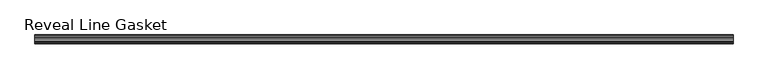
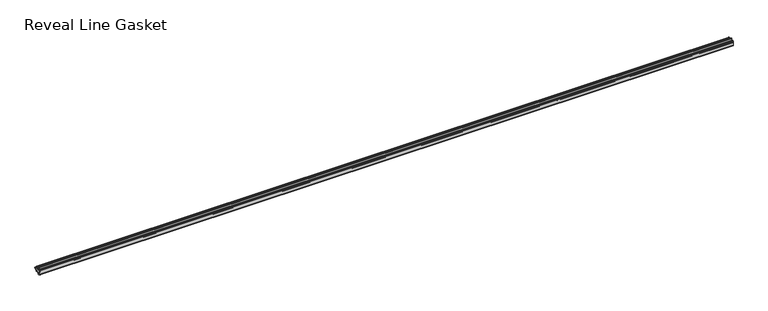
"""IFC4 building model written with IfcOpenShell, lengths in millimetres: furniture geometry, Reveal Line Gasket."""

import ifcopenshell
import ifcopenshell.guid

model = None  # the IFC model being written
_history = None  # IfcOwnerHistory: only IFC2X3 demands one
_inside = {}  # id of a spatial element -> (the spatial element, [elements in it])
_under = {}  # id of a project, library or spatial element -> (it, [spatial elements below it])
_declared = {}  # id of a project -> (the project, [libraries it declares])
_typed = {}  # id of a type object -> (the type object, [elements of that type])
_made_of = {}  # id of a material, layer set ... -> (it, [elements and type objects made of it])


def new_model(schema):
    """Start an empty IFC model of exactly this schema.

    Asked for "IFC4X3", IfcOpenShell would pick the latest addendum, in which some entities
    have other attributes; the version numbers below select the first issue.
    IFC2X3 requires an IfcOwnerHistory on every rooted entity: one is made here for all.
    """
    global model, _history
    if schema == "IFC4X3":
        model = ifcopenshell.file(schema_version=(4, 3, 0, 0))
    else:
        model = ifcopenshell.file(schema=schema)
    _inside.clear()
    _under.clear()
    _declared.clear()
    _typed.clear()
    _made_of.clear()
    _history = None
    if model.schema == "IFC2X3":
        org = make("IfcOrganization", Name="unknown")
        user = make(
            "IfcPersonAndOrganization",
            ThePerson=make("IfcPerson", FamilyName="unknown"),
            TheOrganization=org,
        )
        app = make(
            "IfcApplication",
            ApplicationDeveloper=org,
            Version="unknown",
            ApplicationFullName="unknown",
            ApplicationIdentifier="unknown",
        )
        _history = make(
            "IfcOwnerHistory",
            OwningUser=user,
            OwningApplication=app,
            ChangeAction="ADDED",
            CreationDate=0,
        )
    return model


def make(cls, **values):
    """One entity of the class cls with the attributes given. An attribute that is None is left unset."""
    return model.create_entity(
        cls, **{name: value for name, value in values.items() if value is not None}
    )


def rooted(cls, **values):
    """An entity with a GlobalId (a new one), such as an element, a storey or a relation."""
    return make(cls, GlobalId=ifcopenshell.guid.new(), OwnerHistory=_history, **values)


def si_unit(unit_type, name, prefix=None):
    """IfcSIUnit, for example si_unit("LENGTHUNIT", "METRE", prefix="MILLI")."""
    return make("IfcSIUnit", UnitType=unit_type, Prefix=prefix, Name=name)


def assignment(units):
    """IfcUnitAssignment: the units of a project."""
    return None if units is None else make("IfcUnitAssignment", Units=units)


def point(xyz):
    """IfcCartesianPoint."""
    return None if xyz is None else make("IfcCartesianPoint", Coordinates=xyz)


def direction(xyz):
    """IfcDirection."""
    return None if xyz is None else make("IfcDirection", DirectionRatios=xyz)


def frame(location, z_axis=None, x_axis=None):
    """IfcAxis2Placement3D, a coordinate frame: its origin and axes. An axis left out is left unset."""
    return make(
        "IfcAxis2Placement3D",
        Location=point(location),
        Axis=direction(z_axis),
        RefDirection=direction(x_axis),
    )


def frame_2d(location, x_axis=None):
    """IfcAxis2Placement2D, a coordinate frame in the plane: its origin and x axis."""
    return make(
        "IfcAxis2Placement2D", Location=point(location), RefDirection=direction(x_axis)
    )


def origin():
    """The frame at (0, 0, 0) with its axes left unset."""
    return frame((0.0, 0.0, 0.0))


def place(relative_to, where):
    """IfcLocalPlacement: puts the frame where relative to a parent placement (None: the world)."""
    return make(
        "IfcLocalPlacement", PlacementRelTo=relative_to, RelativePlacement=where
    )


def context(
    kind, dimensions, precision=None, world=None, true_north=None, identifier=None
):
    """IfcGeometricRepresentationContext, for example the 3D "Model" context."""
    return make(
        "IfcGeometricRepresentationContext",
        ContextIdentifier=identifier,
        ContextType=kind,
        CoordinateSpaceDimension=dimensions,
        Precision=precision,
        WorldCoordinateSystem=world,
        TrueNorth=true_north,
    )


def project(units=None, contexts=None):
    """IfcProject with its units and contexts."""
    return rooted(
        "IfcProject",
        Name="project",
        RepresentationContexts=contexts,
        UnitsInContext=assignment(units),
    )


def spatial(cls, under=None, at=None, **own):
    """A site, building, storey or space (cls), placed at a placement, below another one or the project."""
    s = rooted(cls, ObjectPlacement=at, **own)
    if under is not None:
        _under.setdefault(under.id(), (under, []))[1].append(s)
    return s


def polyline(points):
    """IfcPolyline through the points."""
    return make("IfcPolyline", Points=[point(p) for p in points])


def circle_curve(where, radius):
    """IfcCircle in the frame where."""
    return make("IfcCircle", Position=where, Radius=radius)


def trimmed(basis, trim1, trim2, sense, master):
    """IfcTrimmedCurve: the piece of a basis curve between two trims."""
    return make(
        "IfcTrimmedCurve",
        BasisCurve=basis,
        Trim1=trim1,
        Trim2=trim2,
        SenseAgreement=sense,
        MasterRepresentation=master,
    )


def segment(curve, same_sense, transition):
    """IfcCompositeCurveSegment."""
    return make(
        "IfcCompositeCurveSegment",
        Transition=transition,
        SameSense=same_sense,
        ParentCurve=curve,
    )


def composite_curve(segments, self_intersect=None):
    """IfcCompositeCurve: segments joined end to end."""
    return make("IfcCompositeCurve", Segments=segments, SelfIntersect=self_intersect)


def outline(outer, holes=None, kind="AREA"):
    """IfcArbitraryClosedProfileDef: a profile drawn as a closed curve; with holes, ...WithVoids."""
    if holes is None:
        return make("IfcArbitraryClosedProfileDef", ProfileType=kind, OuterCurve=outer)
    return make(
        "IfcArbitraryProfileDefWithVoids",
        ProfileType=kind,
        OuterCurve=outer,
        InnerCurves=holes,
    )


def extrude(swept, where, along, depth):
    """IfcExtrudedAreaSolid: the profile swept, set in the frame where, extruded along a direction by depth."""
    return make(
        "IfcExtrudedAreaSolid",
        SweptArea=swept,
        Position=where,
        ExtrudedDirection=direction(along),
        Depth=depth,
    )


def shape(context_of_items, identifier, shape_type, items):
    """IfcShapeRepresentation: the items that make up one representation, for example the "Body"."""
    return make(
        "IfcShapeRepresentation",
        ContextOfItems=context_of_items,
        RepresentationIdentifier=identifier,
        RepresentationType=shape_type,
        Items=items,
    )


def source(mapping_origin, context_of_items, identifier, shape_type, items):
    """IfcRepresentationMap: a shape defined once, which mapped items show again and again."""
    return make(
        "IfcRepresentationMap",
        MappingOrigin=mapping_origin,
        MappedRepresentation=shape(context_of_items, identifier, shape_type, items),
    )


def transform(
    local_origin,
    x_axis=None,
    y_axis=None,
    z_axis=None,
    scale=None,
    scale2=None,
    scale3=None,
    uniform=True,
):
    """IfcCartesianTransformationOperator3D, or its non-uniform kind. x_axis, y_axis, z_axis: its Axis1, 2, 3."""
    if uniform:
        return make(
            "IfcCartesianTransformationOperator3D",
            Axis1=direction(x_axis),
            Axis2=direction(y_axis),
            LocalOrigin=point(local_origin),
            Scale=scale,
            Axis3=direction(z_axis),
        )
    return make(
        "IfcCartesianTransformationOperator3DnonUniform",
        Axis1=direction(x_axis),
        Axis2=direction(y_axis),
        LocalOrigin=point(local_origin),
        Scale=scale,
        Axis3=direction(z_axis),
        Scale2=scale2,
        Scale3=scale3,
    )


def mapped(mapping_source, mapping_target):
    """IfcMappedItem: shows the shape of a source again, moved by a transform."""
    return make(
        "IfcMappedItem", MappingSource=mapping_source, MappingTarget=mapping_target
    )


def made_of(thing, what):
    """Note that an element or type object is made of a material, layer set ...; save() writes the relation."""
    if what is not None:
        _made_of.setdefault(what.id(), (what, []))[1].append(thing)
    return thing


def element(
    cls,
    number,
    at=None,
    inside=None,
    cuts=None,
    type_object=None,
    material=None,
    context=None,
    identifier="Body",
    shape_type=None,
    held_by="IfcProductDefinitionShape",
    body=None,
    shapes=None,
    **own,
):
    """One element of the class cls, such as IfcWall. Its Tag is "e" and its number.

    at: its placement. inside: the storey or other place that contains it. cuts: it is an
    opening in that element (IfcRelVoidsElement). A single representation is given by context,
    identifier, shape_type and body (its items); several are given by shapes. held_by: the class
    of the entity that holds the representations. save() writes the other relations.
    """
    e = rooted(cls, Tag="e%d" % number, ObjectPlacement=at, **own)
    if body is not None:
        shapes = [shape(context, identifier, shape_type, body)]
    if shapes is not None:
        e.Representation = make(held_by, Representations=shapes)
    if inside is not None:
        _inside.setdefault(inside.id(), (inside, []))[1].append(e)
    if cuts is not None:
        rooted(
            "IfcRelVoidsElement", RelatingBuildingElement=cuts, RelatedOpeningElement=e
        )
    if type_object is not None:
        _typed.setdefault(type_object.id(), (type_object, []))[1].append(e)
    return made_of(e, material)


def aggregate(whole, parts):
    """IfcRelAggregates: a whole, such as a stair, and the parts it consists of."""
    return rooted("IfcRelAggregates", RelatingObject=whole, RelatedObjects=parts)


def save(model, path):
    """Write the relations noted so far, then the file.

    IfcRelAggregates (storeys below a building ...), IfcRelContainedInSpatialStructure (elements
    in a storey), IfcRelDefinesByType, IfcRelAssociatesMaterial and IfcRelDeclares: one each for
    every whole, place, type object, material and project.
    """
    for whole, parts in _under.values():
        aggregate(whole, parts)
    for where, things in _inside.values():
        rooted(
            "IfcRelContainedInSpatialStructure",
            RelatedElements=things,
            RelatingStructure=where,
        )
    for kind, things in _typed.values():
        rooted("IfcRelDefinesByType", RelatedObjects=things, RelatingType=kind)
    for what, things in _made_of.values():
        rooted("IfcRelAssociatesMaterial", RelatedObjects=things, RelatingMaterial=what)
    for by, libraries in _declared.values():
        rooted("IfcRelDeclares", RelatingContext=by, RelatedDefinitions=libraries)
    model.write(path)


def reveal_line_gasket_eccdcd19(model_context):
    return source(origin(), model_context, "Body", "SweptSolid", [
        extrude(outline(composite_curve([segment(polyline([(-7.6326998, 1603.2), (-7.4091917, 1604.1554927), (-6.8813059, 1605.0884684)]), True, "CONTINUOUS"), segment(trimmed(circle_curve(frame_2d((-6.5243141, 1604.8864793)), 0.4101739), [point((-6.8813059, 1605.0884684))], [point((-6.1246704, 1604.7941347))], False, "CARTESIAN"), True, "CONTINUOUS"), segment(polyline([(-6.1246704, 1604.7941347), (-6.3626997, 1603.0979086), (-6.3626997, 1601.0654527)]), True, "CONTINUOUS"), segment(trimmed(circle_curve(frame_2d((-5.6959605, 1601.4819258)), 0.786124), [point((-6.3626997, 1601.0654527))], [point((-5.0926996, 1600.977875))], True, "CARTESIAN"), True, "CONTINUOUS"), segment(polyline([(-5.0926996, 1600.977875), (-0.7492996, 1600.977875), (-3.7293824, 1606.1395295)]), True, "CONTINUOUS"), segment(trimmed(circle_curve(frame_2d((-3.3132479, 1606.2049761)), 0.4212495), [point((-3.7293824, 1606.1395295))], [point((-3.0485022, 1606.5326358))], False, "CARTESIAN"), True, "CONTINUOUS"), segment(polyline([(-3.0485022, 1606.5326358), (0.5742594, 1600.977875), (4.8262978, 1600.977875), (3.1660374, 1603.8535297)]), True, "CONTINUOUS"), segment(trimmed(circle_curve(frame_2d((3.5978728, 1603.9118855)), 0.4357605), [point((3.1660374, 1603.8535297))], [point((3.864328, 1604.2566881))], False, "CARTESIAN"), True, "CONTINUOUS"), segment(polyline([(3.864328, 1604.2566881), (6.1944059, 1600.977875), (7.6326998, 1600.977875), (7.6326998, 1599.422125), (6.1944059, 1599.422125), (3.864328, 1596.1433119)]), True, "CONTINUOUS"), segment(trimmed(circle_curve(frame_2d((3.5978728, 1596.4881145)), 0.4357605), [point((3.864328, 1596.1433119))], [point((3.1660374, 1596.5464703))], False, "CARTESIAN"), True, "CONTINUOUS"), segment(polyline([(3.1660374, 1596.5464703), (4.8262978, 1599.422125), (0.5742594, 1599.422125), (-3.0485022, 1593.8673642)]), True, "CONTINUOUS"), segment(trimmed(circle_curve(frame_2d((-3.3132479, 1594.1950239)), 0.4212495), [point((-3.0485022, 1593.8673642))], [point((-3.7293824, 1594.2604705))], False, "CARTESIAN"), True, "CONTINUOUS"), segment(polyline([(-3.7293824, 1594.2604705), (-0.7492996, 1599.422125), (-5.0926996, 1599.422125)]), True, "CONTINUOUS"), segment(trimmed(circle_curve(frame_2d((-5.6959605, 1598.9180742)), 0.786124), [point((-5.0926996, 1599.422125))], [point((-6.3626997, 1599.3345473))], True, "CARTESIAN"), True, "CONTINUOUS"), segment(polyline([(-6.3626997, 1599.3345473), (-6.3626997, 1597.3020914), (-6.1246704, 1595.6058653)]), True, "CONTINUOUS"), segment(trimmed(circle_curve(frame_2d((-6.5243141, 1595.5135207)), 0.4101739), [point((-6.1246704, 1595.6058653))], [point((-6.8813059, 1595.3115316))], False, "CARTESIAN"), True, "CONTINUOUS"), segment(polyline([(-6.8813059, 1595.3115316), (-7.4091917, 1596.2445073), (-7.6326998, 1597.2), (-7.6326998, 1603.2)]), True, "CONTINUOUS")], self_intersect=False)), frame((-603.2666441, 0.0, 0.0), z_axis=(1.0, 0.0, 0.0), x_axis=(0.0, 1.0, 0.0)), (0.0, 0.0, 1.0), 1206.5332882),
    ])


if __name__ == "__main__":
    model = new_model("IFC4")
    model_context = context("Model", 3, world=origin())
    ifc_project = project(units=[si_unit("LENGTHUNIT", "METRE", prefix="MILLI")], contexts=[model_context])
    site = spatial("IfcSite", under=ifc_project)
    building = spatial("IfcBuilding", under=site)
    placement = place(None, origin())
    reveal_line_gasket_shape = reveal_line_gasket_eccdcd19(model_context)
    element("IfcFurniture", 1, ObjectType="Reveal Line Gasket", at=placement, inside=building, context=model_context, shape_type="MappedRepresentation", body=[
        mapped(reveal_line_gasket_shape, transform((0.0, 0.0, 0.0), x_axis=(1.0, 0.0, 0.0), y_axis=(0.0, 1.0, 0.0), z_axis=(0.0, 0.0, 1.0))),
    ])
    save(model, "model.ifc")
